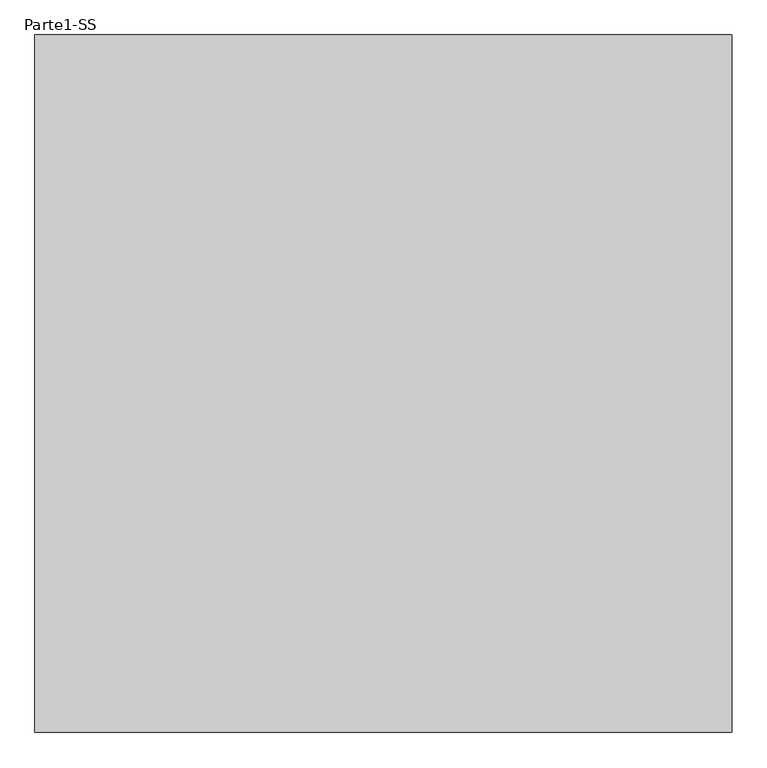
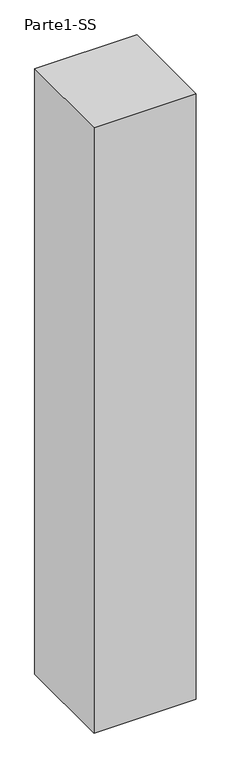
"""IFC4 building model written with IfcOpenShell, lengths in millimetres: proxy geometry, Parte1-SS."""

from ifc_helpers import new_model, si_unit, frame, origin, place, context, project, spatial, polyline, outline, extrude, source, transform, mapped, element, save


def parte1_ss_8a8a2daf(model_context):
    return source(origin(), model_context, "Body", "SweptSolid", [
        extrude(outline(polyline([(4000.0, 4000.0), (4000.0, 0.0), (0.0, 0.0), (0.0, 4000.0), (4000.0, 4000.0)])), frame((0.0, 0.0, 5000.0), z_axis=(0.0, 0.0, 1.0), x_axis=(1.0, 0.0, 0.0)), (0.0, 0.0, 1.0), 25000.0),
    ])


if __name__ == "__main__":
    model = new_model("IFC4")
    model_context = context("Model", 3, world=origin())
    ifc_project = project(units=[si_unit("LENGTHUNIT", "METRE", prefix="MILLI")], contexts=[model_context])
    site = spatial("IfcSite", under=ifc_project)
    building = spatial("IfcBuilding", under=site)
    placement = place(None, origin())
    parte1_ss_shape = parte1_ss_8a8a2daf(model_context)
    element("IfcBuildingElementProxy", 1, Name="Parte1-SS", ObjectType="Parte1-SS", at=placement, inside=building, context=model_context, shape_type="MappedRepresentation", body=[
        mapped(parte1_ss_shape, transform((0.0, 0.0, 0.0), x_axis=(1.0, 0.0, 0.0), y_axis=(0.0, 1.0, 0.0), z_axis=(0.0, 0.0, 1.0))),
    ])
    save(model, "model.ifc")
